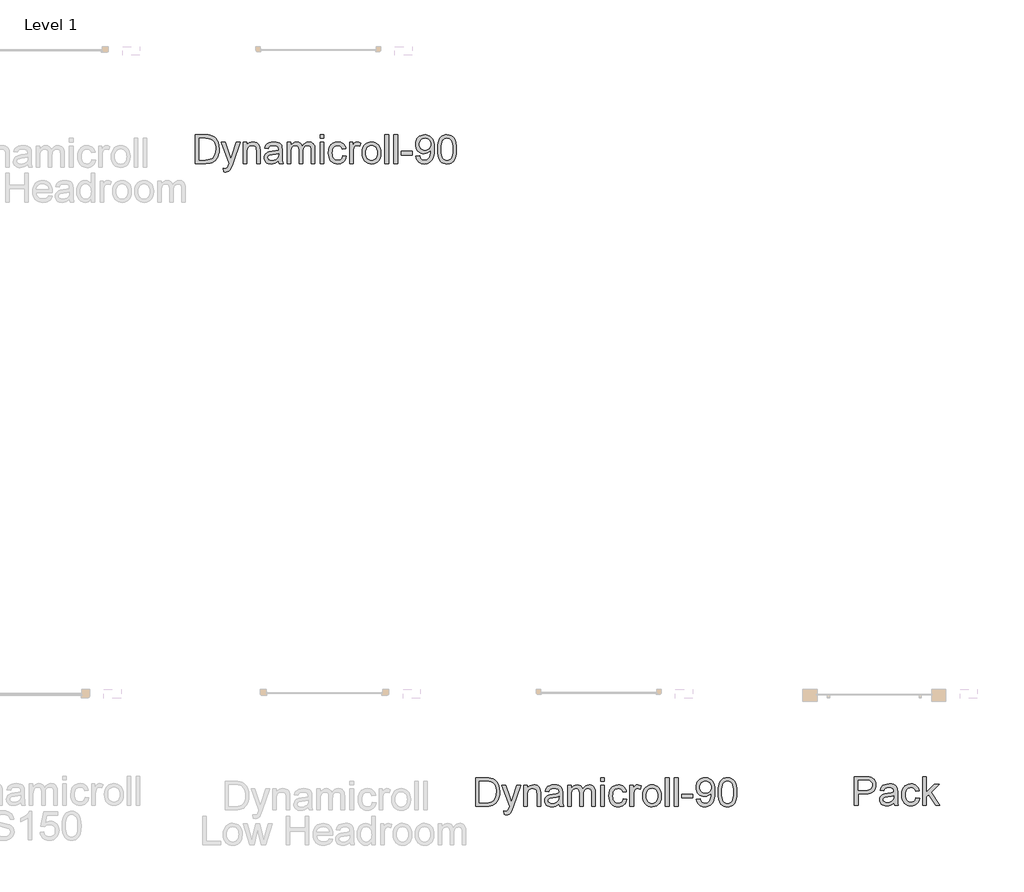
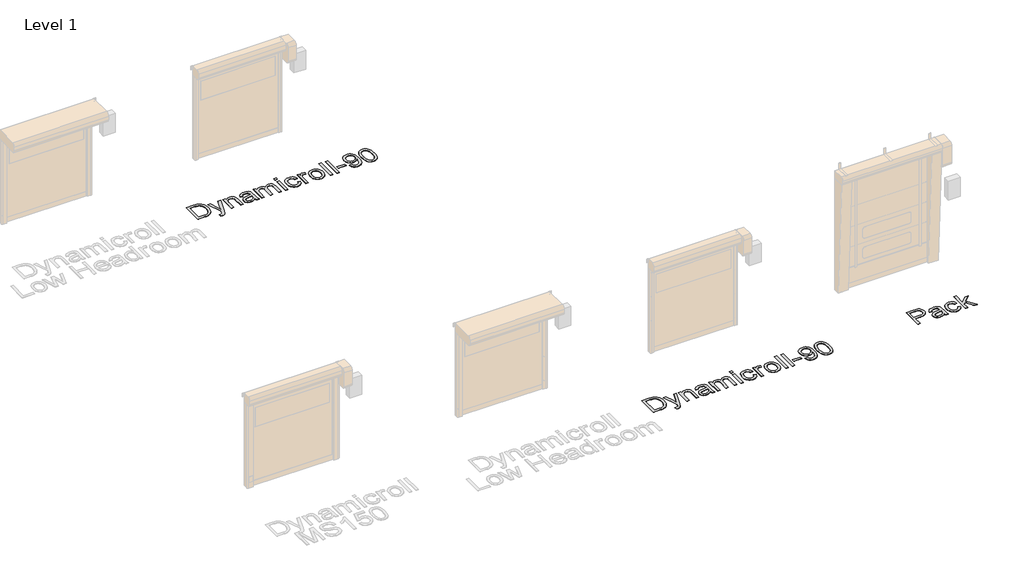
# One storey, part 11 of 18: 3 proxies.
"""IFC4 building model written with IfcOpenShell, lengths in millimetres."""

from ifc_helpers import new_model, si_unit, origin, origin_with_axes, place, context, project, spatial, polyline, outline, extrude, element, save

model = new_model("IFC4")

# Units and contexts
model_context = context("Model", 3, world=origin())
ifc_project = project(units=[si_unit("LENGTHUNIT", "METRE", prefix="MILLI")], contexts=[model_context])

# Site, building, storey
site = spatial("IfcSite", under=ifc_project)
building = spatial("IfcBuilding", under=site)
storey = spatial("IfcBuildingStorey", under=building, Name="Level 1", Elevation=0.0)

# Proxies
placement = place(None, origin())
element("IfcBuildingElementProxy", 1, Name="500mm", ObjectType="500mm", at=placement, inside=storey, context=model_context, shape_type="SweptSolid", body=[
    extrude(outline(polyline([(14635.3862268, 30417.6094957), (14635.3862268, 30919.8910465), (14808.6586466, 30919.8910465), (14860.4380374, 30918.0822933), (14898.299226, 30912.6560339), (14938.3370499, 30898.7071749), (14972.1208797, 30876.7262257), (14990.7372415, 30858.7613216), (15006.8550715, 30838.4664982), (15020.4743695, 30815.8417555), (15031.5951356, 30790.8870935), (15046.4023859, 30734.9077166), (15051.338136, 30671.4480724), (15047.9965413, 30617.5380317), (15037.9717569, 30570.0965827), (15022.7046541, 30529.7062053), (15003.636104, 30496.9493794), (14981.6858116, 30471.0903408), (14957.7734819, 30451.3933256), (14930.320288, 30436.7853447), (14897.7474031, 30426.193409), (14859.9935133, 30419.755474), (14816.9973051, 30417.6094957), (14635.3862268, 30417.6094957)]), holes=[polyline([(14698.1714207, 30480.3946896), (14809.2717832, 30480.3946896), (14855.2263758, 30482.6632952), (14890.0831948, 30489.4691121), (14916.3867575, 30500.4136015), (14936.6815809, 30515.0982245), (14958.4939175, 30542.2755068), (14974.8799947, 30577.4542226), (14985.1347053, 30620.787656), (14988.5529422, 30672.4290911), (14986.8783127, 30708.8800654), (14981.8544242, 30740.8551422), (14973.4812767, 30768.3543213), (14961.7588702, 30791.3776028), (14947.6375665, 30810.4461529), (14932.0677275, 30826.0811377), (14915.0493531, 30838.2825572), (14896.5824434, 30847.0504114), (14860.4686942, 30854.5919923), (14807.5550006, 30857.1058526), (14698.1714207, 30857.1058526), (14698.1714207, 30480.3946896)])]), origin_with_axes(), (0.0, 0.0, 1.0), 5.0),
    extrude(outline(polyline([(15129.8196283, 30276.3428096), (15121.9714791, 30336.7980841), (15153.8545854, 30331.2798542), (15170.623873, 30333.0119653), (15183.653027, 30338.2082984), (15193.8004387, 30346.5009717), (15201.9244994, 30357.5221032), (15219.0923258, 30403.7526072), (15223.9974191, 30418.9583964), (15090.5788822, 30786.4725096), (15156.7976413, 30786.4725096), (15227.5536117, 30581.6848656), (15252.2017054, 30499.769808), (15276.8497991, 30572.1199337), (15349.5678068, 30786.4725096), (15415.2960566, 30786.4725096), (15286.9052403, 30408.7803278), (15253.5506061, 30326.8652703), (15236.4747501, 30300.7149918), (15217.1302885, 30282.5968035), (15194.65883, 30272.0201961), (15168.2019832, 30268.4946604), (15150.0224812, 30270.4566977), (15129.8196283, 30276.3428096)])), origin_with_axes(), (0.0, 0.0, 1.0), 5.0),
    extrude(outline(polyline([(15467.2900453, 30417.6094957), (15467.2900453, 30786.4725096), (15530.0752391, 30786.4725096), (15530.0752391, 30734.9690302), (15551.8875757, 30760.9353677), (15578.0838395, 30779.4827517), (15608.6640303, 30790.611182), (15643.6281483, 30794.3206588), (15674.5762211, 30791.3316176), (15702.9184632, 30782.3644939), (15726.5548814, 30768.5382623), (15743.3854826, 30750.971897), (15754.8051529, 30729.7113834), (15762.2087781, 30704.8027066), (15765.519716, 30644.1021774), (15765.519716, 30417.6094957), (15702.7345222, 30417.6094957), (15702.7345222, 30635.6408915), (15700.925769, 30668.1064776), (15695.4995096, 30691.1910728), (15685.4900536, 30707.7304342), (15669.9317109, 30720.5603188), (15649.9894411, 30728.7916784), (15626.8282038, 30731.5354649), (15607.7634859, 30729.9949591), (15590.0553327, 30725.3734415), (15573.7037445, 30717.6709123), (15558.7087211, 30706.8873713), (15546.1815727, 30691.7965453), (15537.2336096, 30671.1721609), (15531.8648317, 30645.0142182), (15530.0752391, 30613.3227172), (15530.0752391, 30417.6094957), (15467.2900453, 30417.6094957)])), origin_with_axes(), (0.0, 0.0, 1.0), 5.0),
    extrude(outline(polyline([(16087.2938345, 30464.6983911), (16057.2961234, 30438.9773083), (16026.4093643, 30422.146707), (15993.9284498, 30412.8576866), (15959.1482728, 30409.7613465), (15931.1930733, 30411.6237491), (15906.6791032, 30417.2109569), (15885.6063627, 30426.5229699), (15867.9748517, 30439.5597881), (15854.0528174, 30455.493677), (15844.1085072, 30473.4969022), (15838.1419211, 30493.5694635), (15836.1530591, 30515.7113611), (15839.1574287, 30541.7390123), (15848.1705376, 30565.3754305), (15862.0734113, 30585.6089402), (15879.7470755, 30601.427866), (15900.5170798, 30613.3840308), (15923.7089739, 30622.0292577), (15978.0328819, 30631.4715623), (16042.2282901, 30641.4043761), (16086.9259525, 30653.0539726), (16087.2938345, 30667.0334885), (16082.971221, 30695.0538338), (16070.0033807, 30713.3866199), (16056.9282414, 30721.3267396), (16041.0020167, 30726.9982537), (16000.5963109, 30731.5354649), (15963.1949748, 30728.5157669), (15937.0753531, 30719.4566728), (15919.2637332, 30702.7027136), (15906.7864022, 30676.5984203), (15844.0012083, 30684.4465696), (15854.8997124, 30718.7822224), (15871.1631623, 30745.7602354), (15894.3090712, 30766.392284), (15925.8549522, 30781.6900436), (15964.4365765, 30791.163005), (16008.6897148, 30794.3206588), (16051.1341, 30791.530887), (16084.7799742, 30783.1615716), (16110.1485034, 30770.5769417), (16127.7608539, 30755.1412263), (16139.4411073, 30736.0573478), (16147.013345, 30712.5282285), (16150.0790283, 30657.5911839), (16150.0790283, 30579.4775736), (16153.2673389, 30470.400562), (16157.9884912, 30443.4378775), (16165.7753268, 30417.6094957), (16102.9901329, 30417.6094957), (16092.9346917, 30439.4371608), (16087.2938345, 30464.6983911)]), holes=[polyline([(16087.2938345, 30590.2687788), (16045.1100323, 30579.8147988), (15986.0036585, 30571.0162877), (15931.9863188, 30560.8382192), (15917.9301609, 30553.8791181), (15907.5221662, 30544.2835294), (15901.0842312, 30532.7872171), (15898.9382529, 30520.1259451), (15903.61342, 30501.4559338), (15917.638921, 30486.1581742), (15940.7081878, 30475.9494488), (15972.514652, 30472.5465403), (16006.2371682, 30476.3020024), (16036.0356098, 30487.5683885), (16060.1931941, 30504.1690635), (16076.9931386, 30523.9273923), (16084.442749, 30544.2835294), (16086.9259525, 30572.4878157), (16087.2938345, 30590.2687788)])]), origin_with_axes(), (0.0, 0.0, 1.0), 5.0),
    extrude(outline(polyline([(16236.4086698, 30417.6094957), (16236.4086698, 30786.4725096), (16299.1938637, 30786.4725096), (16299.1938637, 30725.7719804), (16318.0784728, 30753.6543699), (16342.3586844, 30775.4973634), (16371.2067642, 30789.6148349), (16403.7949776, 30794.3206588), (16438.7131104, 30789.5228644), (16466.7027988, 30775.1294814), (16487.6107589, 30752.0908714), (16501.2837064, 30721.3573964), (16524.1690321, 30753.2788237), (16550.2733254, 30776.0798432), (16579.5965861, 30789.7604549), (16612.1388142, 30794.3206588), (16637.2735851, 30792.4237673), (16659.3350085, 30786.7330926), (16678.3230844, 30777.248635), (16694.2378128, 30763.9703942), (16706.8186107, 30746.7450862), (16715.8048948, 30725.4194268), (16721.1966653, 30699.993416), (16722.9939221, 30670.4670537), (16722.9939221, 30417.6094957), (16660.2087283, 30417.6094957), (16660.2087283, 30643.4890408), (16658.7525287, 30674.8049956), (16654.38393, 30695.9122251), (16646.1985556, 30710.3669218), (16633.292029, 30721.7252784), (16616.6913539, 30729.0829183), (16597.4235344, 30731.5354649), (16579.631075, 30729.9643023), (16563.4097783, 30725.2508142), (16548.7596443, 30717.3950008), (16535.6806729, 30706.3968619), (16524.9239567, 30691.934501), (16517.2405879, 30673.6860212), (16512.6305667, 30651.6514225), (16511.0938929, 30625.830705), (16511.0938929, 30417.6094957), (16448.3086991, 30417.6094957), (16448.3086991, 30650.4787987), (16444.6758644, 30685.9794112), (16433.7773603, 30711.3019552), (16425.3505633, 30720.1541157), (16414.6015113, 30726.4770875), (16386.1366419, 30731.5354649), (16361.9484007, 30728.1632133), (16339.6608832, 30718.0464585), (16321.2667834, 30701.430455), (16308.7587956, 30678.5604576), (16301.5850967, 30646.8306356), (16299.1938637, 30603.635158), (16299.1938637, 30417.6094957), (16236.4086698, 30417.6094957)])), origin_with_axes(), (0.0, 0.0, 1.0), 5.0),
    extrude(outline(polyline([(16817.1717129, 30857.1058526), (16817.1717129, 30919.8910465), (16879.9569067, 30919.8910465), (16879.9569067, 30857.1058526), (16817.1717129, 30857.1058526)])), origin_with_axes(), (0.0, 0.0, 1.0), 5.0),
    extrude(outline(polyline([(16817.1717129, 30417.6094957), (16817.1717129, 30786.4725096), (16879.9569067, 30786.4725096), (16879.9569067, 30417.6094957), (16817.1717129, 30417.6094957)])), origin_with_axes(), (0.0, 0.0, 1.0), 5.0),
    extrude(outline(polyline([(17209.5791744, 30551.0280326), (17272.3643683, 30543.1798834), (17265.5355587, 30513.5538865), (17254.8593167, 30487.3384622), (17240.3356421, 30464.5336106), (17221.9645349, 30445.1393317), (17200.5200803, 30429.6614632), (17176.7763632, 30418.6058428), (17150.7333836, 30411.9724706), (17122.3911416, 30409.7613465), (17087.1779368, 30412.8461903), (17055.605231, 30422.1007218), (17027.6730241, 30437.5249408), (17003.3813161, 30459.1188475), (16983.7187899, 30486.4762388), (16969.6741283, 30519.1909116), (16961.2473314, 30557.262866), (16958.438399, 30600.692102), (16963.2361934, 30656.56418), (16977.6295765, 30704.9866476), (16988.4820953, 30725.9367608), (17001.8484745, 30744.089438), (17017.7287139, 30759.4446792), (17036.1228137, 30772.0024844), (17077.1263277, 30788.7411152), (17121.5327502, 30794.3206588), (17149.3883151, 30792.4046067), (17174.5843996, 30786.6564506), (17197.1210039, 30777.0761903), (17216.998128, 30763.6638259), (17233.8785466, 30746.7259257), (17247.4250347, 30726.569058), (17257.6375921, 30703.1932229), (17264.516219, 30676.5984203), (17201.7310252, 30668.7502711), (17190.3420117, 30696.1421513), (17172.6070339, 30715.7778528), (17149.5071103, 30727.5960619), (17122.0232596, 30731.5354649), (17100.6899359, 30729.5964203), (17081.4489412, 30723.7792862), (17064.3002753, 30714.0840628), (17049.2439382, 30700.51075), (17036.9850371, 30682.7451153), (17028.2286792, 30660.4729262), (17022.9748645, 30633.6941826), (17021.2235929, 30602.4088846), (17022.9365434, 30570.6522378), (17028.075395, 30543.5630938), (17036.6401477, 30521.1414526), (17048.6308015, 30503.3873143), (17063.3882345, 30489.8944757), (17080.2533247, 30480.2567338), (17099.2260722, 30474.4740887), (17120.3064769, 30472.5465403), (17152.8180482, 30477.3596631), (17179.4741645, 30491.7990314), (17190.2538734, 30502.7205282), (17198.8646113, 30516.2325273), (17209.5791744, 30551.0280326)])), origin_with_axes(), (0.0, 0.0, 1.0), 5.0),
    extrude(outline(polyline([(17327.3014129, 30417.6094957), (17327.3014129, 30786.4725096), (17382.2384575, 30786.4725096), (17382.2384575, 30731.9033469), (17402.5332809, 30763.5411985), (17421.233949, 30782.180553), (17439.9959307, 30791.2856323), (17460.4746951, 30794.3206588), (17491.7446647, 30789.4768792), (17523.5051436, 30774.9455404), (17502.5358699, 30718.6595951), (17480.4629502, 30728.3164975), (17458.3900305, 30731.5354649), (17439.6433771, 30728.4391248), (17422.8894179, 30719.1501044), (17409.3544262, 30704.373511), (17400.2646752, 30684.8144516), (17392.6311238, 30649.7430347), (17390.0866067, 30611.4833072), (17390.0866067, 30417.6094957), (17327.3014129, 30417.6094957)])), origin_with_axes(), (0.0, 0.0, 1.0), 5.0),
    extrude(outline(polyline([(17547.0495913, 30602.0410026), (17550.4448356, 30649.8120126), (17560.6305683, 30690.976475), (17577.6067895, 30725.5343899), (17601.3734993, 30753.4857573), (17625.3011574, 30771.3510267), (17651.7120189, 30784.1119334), (17680.606084, 30791.7684775), (17711.9833525, 30794.3206588), (17746.6217416, 30791.2128224), (17777.9415285, 30781.889313), (17805.9427133, 30766.3501308), (17830.6252959, 30744.5952758), (17850.7706673, 30717.3605118), (17865.1602182, 30685.381603), (17873.7939488, 30648.6585492), (17876.671859, 30607.1913506), (17871.5828247, 30543.7623632), (17865.2215319, 30517.7270479), (17856.3157219, 30495.4778514), (17844.9765259, 30476.2598492), (17831.3150747, 30459.3181169), (17815.3313684, 30444.6526545), (17797.025407, 30432.2634619), (17756.2978045, 30415.3868753), (17711.9833525, 30409.7613465), (17676.8391256, 30412.8576866), (17645.2280988, 30422.146707), (17617.1502719, 30437.6284076), (17592.6056451, 30459.3027885), (17572.6748715, 30486.8019677), (17558.4386048, 30519.7580631), (17549.8968447, 30558.1710747), (17547.0495913, 30602.0410026)]), holes=[polyline([(17609.8347852, 30602.16363), (17611.6512025, 30571.7098986), (17617.1004546, 30545.3411901), (17626.1825413, 30523.0575047), (17638.8974628, 30504.8588423), (17654.363835, 30490.7222102), (17671.700274, 30480.6246158), (17690.9067799, 30474.5660592), (17711.9833525, 30472.5465403), (17732.9526262, 30474.5775555), (17752.08249, 30480.6706011), (17769.3729437, 30490.825677), (17784.8239875, 30505.0427833), (17797.538909, 30523.4215546), (17806.6209958, 30546.0616257), (17812.0702478, 30572.9629966), (17813.8866652, 30604.1256673), (17812.0587515, 30633.6137085), (17806.5750105, 30659.2926381), (17797.4354422, 30681.1624563), (17784.6400465, 30699.223163), (17769.1315212, 30713.3597951), (17751.8525637, 30723.4573895), (17732.8031742, 30729.5159461), (17711.9833525, 30731.5354649), (17690.9067799, 30729.5236103), (17671.700274, 30723.4880463), (17654.363835, 30713.428773), (17638.8974628, 30699.3457904), (17626.1825413, 30681.2007774), (17617.1004546, 30658.955413), (17611.6512025, 30632.6096972), (17609.8347852, 30602.16363)])]), origin_with_axes(), (0.0, 0.0, 1.0), 5.0),
    extrude(outline(polyline([(17947.3052021, 30417.6094957), (17947.3052021, 30919.8910465), (18010.0903959, 30919.8910465), (18010.0903959, 30417.6094957), (17947.3052021, 30417.6094957)])), origin_with_axes(), (0.0, 0.0, 1.0), 5.0),
    extrude(outline(polyline([(18104.2681867, 30417.6094957), (18104.2681867, 30919.8910465), (18167.0533805, 30919.8910465), (18167.0533805, 30417.6094957), (18104.2681867, 30417.6094957)])), origin_with_axes(), (0.0, 0.0, 1.0), 5.0),
    extrude(outline(polyline([(18229.8385744, 30566.7243311), (18229.8385744, 30629.509525), (18426.0423051, 30629.509525), (18426.0423051, 30566.7243311), (18229.8385744, 30566.7243311)])), origin_with_axes(), (0.0, 0.0, 1.0), 5.0),
    extrude(outline(polyline([(18488.827499, 30543.1798834), (18551.6126928, 30551.0280326), (18562.3425843, 30515.3894644), (18579.8169791, 30491.1245811), (18603.6066815, 30477.1910505), (18633.2824957, 30472.5465403), (18659.9079551, 30475.5355816), (18684.1115247, 30484.5027052), (18704.2224072, 30498.4668926), (18718.569805, 30516.4471251), (18729.4376522, 30540.0835433), (18739.109883, 30571.0162877), (18745.9156999, 30606.5169003), (18748.1843056, 30643.8569228), (18747.8164236, 30656.1196559), (18726.0654006, 30629.5708386), (18697.6005312, 30608.5402512), (18664.4758233, 30594.8366469), (18628.7452845, 30590.2687788), (18598.9200181, 30593.0585506), (18571.493649, 30601.427866), (18546.466177, 30615.376725), (18523.8376022, 30634.9051275), (18505.0871167, 30658.993734), (18491.6939129, 30686.6232047), (18483.6579905, 30717.7935396), (18480.9793497, 30752.5047387), (18483.7882821, 30788.3732332), (18492.215079, 30820.5629078), (18506.2597406, 30849.0737624), (18525.9222668, 30873.9057971), (18549.815436, 30894.0243437), (18576.5520264, 30908.3947341), (18606.1320381, 30917.0169684), (18638.555471, 30919.8910465), (18662.4946254, 30918.2509059), (18685.3837833, 30913.3304842), (18707.2229447, 30905.1297814), (18728.0121095, 30893.6487975), (18747.057667, 30879.1327871), (18763.6660062, 30861.8270049), (18777.8371272, 30841.7314509), (18789.57103, 30818.8461251), (18798.771912, 30791.8527837), (18805.3439706, 30759.4331829), (18810.6016174, 30678.315203), (18805.359299, 30592.3074582), (18798.806401, 30556.6267368), (18789.6323437, 30525.828116), (18777.8716162, 30499.1605034), (18763.5587073, 30475.8728067), (18746.6936171, 30455.9650258), (18727.2763455, 30439.4371608), (18705.6977672, 30426.453992), (18682.3487569, 30417.1803001), (18657.2293144, 30411.6160849), (18630.3394398, 30409.7613465), (18602.1428177, 30411.949478), (18576.6593253, 30418.5138723), (18553.8889627, 30429.4545296), (18533.8317297, 30444.7714497), (18516.9934642, 30464.0507655), (18503.8800039, 30486.8786097), (18494.4913489, 30513.2549824), (18488.827499, 30543.1798834)]), holes=[polyline([(18747.8164236, 30753.9762667), (18746.1226336, 30776.478382), (18741.0412635, 30796.5279508), (18732.5723134, 30814.1249729), (18720.7157833, 30829.2694483), (18706.0541529, 30841.4478752), (18689.1699022, 30850.1467516), (18670.0630311, 30855.3660774), (18648.7335395, 30857.1058526), (18626.7219335, 30855.2319537), (18606.7949921, 30849.610257), (18588.9527153, 30840.2407624), (18573.1951032, 30827.12347), (18560.3192334, 30811.0248006), (18551.1221835, 30792.7111751), (18545.6039536, 30772.1825933), (18543.7645436, 30749.4390554), (18545.5043189, 30729.0407652), (18550.7236447, 30710.6428333), (18559.422521, 30694.2452598), (18571.6009479, 30679.8480446), (18586.7530876, 30668.1256381), (18604.3731023, 30659.7524906), (18624.4609921, 30654.7286021), (18647.0167569, 30653.0539726), (18668.0511764, 30654.7286021), (18687.1312228, 30659.7524906), (18704.2568961, 30668.1256381), (18719.4281963, 30679.8480446), (18731.8480457, 30694.5288355), (18740.7193668, 30711.7771361), (18746.0421594, 30731.5929465), (18747.8164236, 30753.9762667)])]), origin_with_axes(), (0.0, 0.0, 1.0), 5.0),
    extrude(outline(polyline([(18865.538662, 30664.7035692), (18870.1525154, 30745.1011135), (18883.9940755, 30809.2198796), (18894.3407566, 30835.4199754), (18906.9253865, 30858.040886), (18921.7479652, 30877.0826114), (18938.8084927, 30892.5451515), (18958.1644506, 30904.5089806), (18979.8733205, 30913.0545727), (19003.9351022, 30918.181928), (19030.3497959, 30919.8910465), (19069.038719, 30915.8443445), (19103.6809402, 30903.7042387), (19132.6516474, 30883.9459099), (19154.3260282, 30857.044539), (19170.696777, 30823.2300522), (19183.7565879, 30782.7323759), (19192.3098443, 30731.3055387), (19195.1609297, 30664.7035692), (19190.5930616, 30584.7658773), (19176.8894573, 30520.8003954), (19166.6232504, 30494.5888032), (19154.096102, 30471.9334037), (19139.3080122, 30452.8341968), (19122.258981, 30437.2911825), (19102.8800305, 30425.2468792), (19081.1021828, 30416.6438055), (19056.9254379, 30411.4819612), (19030.3497959, 30409.7613465), (18995.7688883, 30412.7503877), (18965.1120554, 30421.7175113), (18938.3792971, 30436.6627174), (18915.5706134, 30457.5860059), (18893.6816347, 30495.4088735), (18878.0466499, 30542.5360899), (18868.665659, 30598.9676551), (18865.538662, 30664.7035692)]), holes=[polyline([(18928.3238559, 30664.8261965), (18930.1632659, 30610.2455376), (18935.6814958, 30566.0652092), (18944.8785457, 30532.2852114), (18957.7544155, 30508.9055442), (18973.3280866, 30492.99848), (18990.6185404, 30481.6362913), (19009.6257768, 30474.8189781), (19030.3497959, 30472.5465403), (19051.0738149, 30474.8266423), (19070.0810514, 30481.6669481), (19087.3715051, 30493.0674579), (19102.9451763, 30509.0281715), (19115.8210461, 30532.4461598), (19125.018096, 30566.2184934), (19130.5363259, 30610.3451723), (19132.3757359, 30664.8261965), (19130.5976396, 30717.9621522), (19125.2633506, 30761.3645634), (19116.3728691, 30795.0334302), (19103.9261949, 30818.9687525), (19088.6131069, 30835.6537338), (19071.1233837, 30847.5715776), (19051.4570253, 30854.7222839), (19029.6140319, 30857.1058526), (19008.9973117, 30855.0058596), (18990.3119721, 30848.7058804), (18973.5580129, 30838.2059151), (18958.7354341, 30823.5059637), (18945.4303687, 30797.4476558), (18935.9267504, 30762.3149252), (18930.2245795, 30718.1077721), (18928.3238559, 30664.8261965)])]), origin_with_axes(), (0.0, 0.0, 1.0), 5.0),
])
element("IfcBuildingElementProxy", 2, Name="500mm", ObjectType="500mm", at=placement, inside=storey, context=model_context, shape_type="SweptSolid", body=[
    extrude(outline(polyline([(19535.3862268, 19179.9547363), (19535.3862268, 19682.236287), (19708.6586466, 19682.236287), (19760.4380374, 19680.4275339), (19798.299226, 19675.0012744), (19838.3370499, 19661.0524154), (19872.1208797, 19639.0714662), (19890.7372415, 19621.1065621), (19906.8550715, 19600.8117387), (19920.4743695, 19578.186996), (19931.5951356, 19553.232334), (19946.4023859, 19497.2529571), (19951.338136, 19433.7933129), (19947.9965413, 19379.8832722), (19937.9717569, 19332.4418233), (19922.7046541, 19292.0514459), (19903.636104, 19259.2946199), (19881.6858116, 19233.4355813), (19857.7734819, 19213.7385661), (19830.320288, 19199.1305853), (19797.7474031, 19188.5386495), (19759.9935133, 19182.1007146), (19716.9973051, 19179.9547363), (19535.3862268, 19179.9547363)]), holes=[polyline([(19598.1714207, 19242.7399301), (19709.2717832, 19242.7399301), (19755.2263758, 19245.0085357), (19790.0831948, 19251.8143526), (19816.3867575, 19262.758842), (19836.6815809, 19277.443465), (19858.4939175, 19304.6207474), (19874.8799947, 19339.7994632), (19885.1347053, 19383.1328965), (19888.5529422, 19434.7743316), (19886.8783127, 19471.2253059), (19881.8544242, 19503.2003827), (19873.4812767, 19530.6995618), (19861.7588702, 19553.7228434), (19847.6375665, 19572.7913934), (19832.0677275, 19588.4263782), (19815.0493531, 19600.6277977), (19796.5824434, 19609.395652), (19760.4686942, 19616.9372329), (19707.5550006, 19619.4510932), (19598.1714207, 19619.4510932), (19598.1714207, 19242.7399301)])]), origin_with_axes(), (0.0, 0.0, 1.0), 5.0),
    extrude(outline(polyline([(20029.8196283, 19038.6880501), (20021.9714791, 19099.1433246), (20053.8545854, 19093.6250947), (20070.623873, 19095.3572058), (20083.653027, 19100.553539), (20093.8004387, 19108.8462123), (20101.9244994, 19119.8673437), (20119.0923258, 19166.0978478), (20123.9974191, 19181.3036369), (19990.5788822, 19548.8177501), (20056.7976413, 19548.8177501), (20127.5536117, 19344.0301061), (20152.2017054, 19262.1150485), (20176.8497991, 19334.4651742), (20249.5678068, 19548.8177501), (20315.2960566, 19548.8177501), (20186.9052403, 19171.1255684), (20153.5506061, 19089.2105108), (20136.4747501, 19063.0602323), (20117.1302885, 19044.942044), (20094.65883, 19034.3654367), (20068.2019832, 19030.8399009), (20050.0224812, 19032.8019382), (20029.8196283, 19038.6880501)])), origin_with_axes(), (0.0, 0.0, 1.0), 5.0),
    extrude(outline(polyline([(20367.2900453, 19179.9547363), (20367.2900453, 19548.8177501), (20430.0752391, 19548.8177501), (20430.0752391, 19497.3142708), (20451.8875757, 19523.2806083), (20478.0838395, 19541.8279922), (20508.6640303, 19552.9564225), (20543.6281483, 19556.6658993), (20574.5762211, 19553.6768581), (20602.9184632, 19544.7097345), (20626.5548814, 19530.8835028), (20643.3854826, 19513.3171375), (20654.8051529, 19492.0566239), (20662.2087781, 19467.1479472), (20665.519716, 19406.447418), (20665.519716, 19179.9547363), (20602.7345222, 19179.9547363), (20602.7345222, 19397.9861321), (20600.925769, 19430.4517181), (20595.4995096, 19453.5363133), (20585.4900536, 19470.0756747), (20569.9317109, 19482.9055593), (20549.9894411, 19491.1369189), (20526.8282038, 19493.8807055), (20507.7634859, 19492.3401996), (20490.0553327, 19487.7186821), (20473.7037445, 19480.0161528), (20458.7087211, 19469.2326118), (20446.1815727, 19454.1417858), (20437.2336096, 19433.5174014), (20431.8648317, 19407.3594587), (20430.0752391, 19375.6679577), (20430.0752391, 19179.9547363), (20367.2900453, 19179.9547363)])), origin_with_axes(), (0.0, 0.0, 1.0), 5.0),
    extrude(outline(polyline([(20987.2938345, 19227.0436316), (20957.2961234, 19201.3225488), (20926.4093643, 19184.4919475), (20893.9284498, 19175.2029271), (20859.1482728, 19172.106587), (20831.1930733, 19173.9689896), (20806.6791032, 19179.5561974), (20785.6063627, 19188.8682104), (20767.9748517, 19201.9050286), (20754.0528174, 19217.8389175), (20744.1085072, 19235.8421427), (20738.1419211, 19255.914704), (20736.1530591, 19278.0566016), (20739.1574287, 19304.0842528), (20748.1705376, 19327.720671), (20762.0734113, 19347.9541807), (20779.7470755, 19363.7731065), (20800.5170798, 19375.7292714), (20823.7089739, 19384.3744982), (20878.0328819, 19393.8168028), (20942.2282901, 19403.7496167), (20986.9259525, 19415.3992132), (20987.2938345, 19429.378729), (20982.971221, 19457.3990743), (20970.0033807, 19475.7318604), (20956.9282414, 19483.6719801), (20941.0020167, 19489.3434942), (20900.5963109, 19493.8807055), (20863.1949748, 19490.8610074), (20837.0753531, 19481.8019133), (20819.2637332, 19465.0479541), (20806.7864022, 19438.9436609), (20744.0012083, 19446.7918101), (20754.8997124, 19481.127463), (20771.1631623, 19508.105476), (20794.3090712, 19528.7375245), (20825.8549522, 19544.0352841), (20864.4365765, 19553.5082455), (20908.6897148, 19556.6658993), (20951.1341, 19553.8761275), (20984.7799742, 19545.5068121), (21010.1485034, 19532.9221822), (21027.7608539, 19517.4864668), (21039.4411073, 19498.4025883), (21047.013345, 19474.8734691), (21050.0790283, 19419.9364244), (21050.0790283, 19341.8228141), (21053.2673389, 19232.7458026), (21057.9884912, 19205.783118), (21065.7753268, 19179.9547363), (21002.9901329, 19179.9547363), (20992.9346917, 19201.7824013), (20987.2938345, 19227.0436316)]), holes=[polyline([(20987.2938345, 19352.6140193), (20945.1100323, 19342.1600393), (20886.0036585, 19333.3615282), (20831.9863188, 19323.1834597), (20817.9301609, 19316.2243586), (20807.5221662, 19306.6287699), (20801.0842312, 19295.1324576), (20798.9382529, 19282.4711856), (20803.61342, 19263.8011743), (20817.638921, 19248.5034147), (20840.7081878, 19238.2946893), (20872.514652, 19234.8917809), (20906.2371682, 19238.6472429), (20936.0356098, 19249.913629), (20960.1931941, 19266.514304), (20976.9931386, 19286.2726329), (20984.442749, 19306.6287699), (20986.9259525, 19334.8330562), (20987.2938345, 19352.6140193)])]), origin_with_axes(), (0.0, 0.0, 1.0), 5.0),
    extrude(outline(polyline([(21136.4086698, 19179.9547363), (21136.4086698, 19548.8177501), (21199.1938637, 19548.8177501), (21199.1938637, 19488.1172209), (21218.0784728, 19515.9996104), (21242.3586844, 19537.8426039), (21271.2067642, 19551.9600755), (21303.7949776, 19556.6658993), (21338.7131104, 19551.868105), (21366.7027988, 19537.4747219), (21387.6107589, 19514.436112), (21401.2837064, 19483.7026369), (21424.1690321, 19515.6240642), (21450.2733254, 19538.4250837), (21479.5965861, 19552.1056954), (21512.1388142, 19556.6658993), (21537.2735851, 19554.7690078), (21559.3350085, 19549.0783332), (21578.3230844, 19539.5938755), (21594.2378128, 19526.3156347), (21606.8186107, 19509.0903267), (21615.8048948, 19487.7646673), (21621.1966653, 19462.3386565), (21622.9939221, 19432.8122943), (21622.9939221, 19179.9547363), (21560.2087283, 19179.9547363), (21560.2087283, 19405.8342813), (21558.7525287, 19437.1502361), (21554.38393, 19458.2574656), (21546.1985556, 19472.7121623), (21533.292029, 19484.0705189), (21516.6913539, 19491.4281588), (21497.4235344, 19493.8807055), (21479.631075, 19492.3095428), (21463.4097783, 19487.5960547), (21448.7596443, 19479.7402413), (21435.6806729, 19468.7421025), (21424.9239567, 19454.2797415), (21417.2405879, 19436.0312617), (21412.6305667, 19413.9966631), (21411.0938929, 19388.1759455), (21411.0938929, 19179.9547363), (21348.3086991, 19179.9547363), (21348.3086991, 19412.8240392), (21344.6758644, 19448.3246517), (21333.7773603, 19473.6471957), (21325.3505633, 19482.4993562), (21314.6015113, 19488.822328), (21286.1366419, 19493.8807055), (21261.9484007, 19490.5084538), (21239.6608832, 19480.391699), (21221.2667834, 19463.7756955), (21208.7587956, 19440.9056982), (21201.5850967, 19409.1758761), (21199.1938637, 19365.9803985), (21199.1938637, 19179.9547363), (21136.4086698, 19179.9547363)])), origin_with_axes(), (0.0, 0.0, 1.0), 5.0),
    extrude(outline(polyline([(21717.1717129, 19619.4510932), (21717.1717129, 19682.236287), (21779.9569067, 19682.236287), (21779.9569067, 19619.4510932), (21717.1717129, 19619.4510932)])), origin_with_axes(), (0.0, 0.0, 1.0), 5.0),
    extrude(outline(polyline([(21717.1717129, 19179.9547363), (21717.1717129, 19548.8177501), (21779.9569067, 19548.8177501), (21779.9569067, 19179.9547363), (21717.1717129, 19179.9547363)])), origin_with_axes(), (0.0, 0.0, 1.0), 5.0),
    extrude(outline(polyline([(22109.5791744, 19313.3732732), (22172.3643683, 19305.5251239), (22165.5355587, 19275.899127), (22154.8593167, 19249.6837028), (22140.3356421, 19226.8788512), (22121.9645349, 19207.4845722), (22100.5200803, 19192.0067037), (22076.7763632, 19180.9510833), (22050.7333836, 19174.3177111), (22022.3911416, 19172.106587), (21987.1779368, 19175.1914308), (21955.605231, 19184.4459623), (21927.6730241, 19199.8701813), (21903.3813161, 19221.464088), (21883.7187899, 19248.8214793), (21869.6741283, 19281.5361522), (21861.2473314, 19319.6081066), (21858.438399, 19363.0373425), (21863.2361934, 19418.9094205), (21877.6295765, 19467.3318882), (21888.4820953, 19488.2820014), (21901.8484745, 19506.4346786), (21917.7287139, 19521.7899198), (21936.1228137, 19534.3477249), (21977.1263277, 19551.0863557), (22021.5327502, 19556.6658993), (22049.3883151, 19554.7498473), (22074.5843996, 19549.0016911), (22097.1210039, 19539.4214308), (22116.998128, 19526.0090664), (22133.8785466, 19509.0711662), (22147.4250347, 19488.9142985), (22157.6375921, 19465.5384634), (22164.516219, 19438.9436609), (22101.7310252, 19431.0955116), (22090.3420117, 19458.4873919), (22072.6070339, 19478.1230933), (22049.5071103, 19489.9413024), (22022.0232596, 19493.8807055), (22000.6899359, 19491.9416608), (21981.4489412, 19486.1245267), (21964.3002753, 19476.4293033), (21949.2439382, 19462.8559905), (21936.9850371, 19445.0903559), (21928.2286792, 19422.8181667), (21922.9748645, 19396.0394232), (21921.2235929, 19364.7541252), (21922.9365434, 19332.9974784), (21928.075395, 19305.9083344), (21936.6401477, 19283.4866932), (21948.6308015, 19265.7325548), (21963.3882345, 19252.2397162), (21980.2533247, 19242.6019743), (21999.2260722, 19236.8193292), (22020.3064769, 19234.8917809), (22052.8180482, 19239.7049036), (22079.4741645, 19254.1442719), (22090.2538734, 19265.0657687), (22098.8646113, 19278.5777678), (22109.5791744, 19313.3732732)])), origin_with_axes(), (0.0, 0.0, 1.0), 5.0),
    extrude(outline(polyline([(22227.3014129, 19179.9547363), (22227.3014129, 19548.8177501), (22282.2384575, 19548.8177501), (22282.2384575, 19494.2485875), (22302.5332809, 19525.8864391), (22321.233949, 19544.5257935), (22339.9959307, 19553.6308729), (22360.4746951, 19556.6658993), (22391.7446647, 19551.8221197), (22423.5051436, 19537.2907809), (22402.5358699, 19481.0048356), (22380.4629502, 19490.661738), (22358.3900305, 19493.8807055), (22339.6433771, 19490.7843653), (22322.8894179, 19481.495345), (22309.3544262, 19466.7187515), (22300.2646752, 19447.1596921), (22292.6311238, 19412.0882752), (22290.0866067, 19373.8285477), (22290.0866067, 19179.9547363), (22227.3014129, 19179.9547363)])), origin_with_axes(), (0.0, 0.0, 1.0), 5.0),
    extrude(outline(polyline([(22447.0495913, 19364.3862432), (22450.4448356, 19412.1572531), (22460.6305683, 19453.3217155), (22477.6067895, 19487.8796304), (22501.3734993, 19515.8309978), (22525.3011574, 19533.6962672), (22551.7120189, 19546.4571739), (22580.606084, 19554.113718), (22611.9833525, 19556.6658993), (22646.6217416, 19553.5580629), (22677.9415285, 19544.2345536), (22705.9427133, 19528.6953714), (22730.6252959, 19506.9405163), (22750.7706673, 19479.7057523), (22765.1602182, 19447.7268435), (22773.7939488, 19411.0037897), (22776.671859, 19369.5365911), (22771.5828247, 19306.1076038), (22765.2215319, 19280.0722884), (22756.3157219, 19257.8230919), (22744.9765259, 19238.6050898), (22731.3150747, 19221.6633575), (22715.3313684, 19206.997895), (22697.025407, 19194.6087024), (22656.2978045, 19177.7321159), (22611.9833525, 19172.106587), (22576.8391256, 19175.2029271), (22545.2280988, 19184.4919475), (22517.1502719, 19199.9736482), (22492.6056451, 19221.648029), (22472.6748715, 19249.1472082), (22458.4386048, 19282.1033036), (22449.8968447, 19320.5163152), (22447.0495913, 19364.3862432)]), holes=[polyline([(22509.8347852, 19364.5088705), (22511.6512025, 19334.0551391), (22517.1004546, 19307.6864307), (22526.1825413, 19285.4027452), (22538.8974628, 19267.2040828), (22554.363835, 19253.0674507), (22571.700274, 19242.9698563), (22590.9067799, 19236.9112997), (22611.9833525, 19234.8917809), (22632.9526262, 19236.922796), (22652.08249, 19243.0158416), (22669.3729437, 19253.1709175), (22684.8239875, 19267.3880238), (22697.538909, 19285.7667951), (22706.6209958, 19308.4068662), (22712.0702478, 19335.3082371), (22713.8866652, 19366.4709078), (22712.0587515, 19395.958949), (22706.5750105, 19421.6378787), (22697.4354422, 19443.5076969), (22684.6400465, 19461.5684036), (22669.1315212, 19475.7050356), (22651.8525637, 19485.80263), (22632.8031742, 19491.8611866), (22611.9833525, 19493.8807055), (22590.9067799, 19491.8688508), (22571.700274, 19485.8332868), (22554.363835, 19475.7740135), (22538.8974628, 19461.6910309), (22526.1825413, 19443.5460179), (22517.1004546, 19421.3006535), (22511.6512025, 19394.9549377), (22509.8347852, 19364.5088705)])]), origin_with_axes(), (0.0, 0.0, 1.0), 5.0),
    extrude(outline(polyline([(22847.3052021, 19179.9547363), (22847.3052021, 19682.236287), (22910.0903959, 19682.236287), (22910.0903959, 19179.9547363), (22847.3052021, 19179.9547363)])), origin_with_axes(), (0.0, 0.0, 1.0), 5.0),
    extrude(outline(polyline([(23004.2681867, 19179.9547363), (23004.2681867, 19682.236287), (23067.0533805, 19682.236287), (23067.0533805, 19179.9547363), (23004.2681867, 19179.9547363)])), origin_with_axes(), (0.0, 0.0, 1.0), 5.0),
    extrude(outline(polyline([(23129.8385744, 19329.0695716), (23129.8385744, 19391.8547655), (23326.0423051, 19391.8547655), (23326.0423051, 19329.0695716), (23129.8385744, 19329.0695716)])), origin_with_axes(), (0.0, 0.0, 1.0), 5.0),
    extrude(outline(polyline([(23388.827499, 19305.5251239), (23451.6126928, 19313.3732732), (23462.3425843, 19277.7347049), (23479.8169791, 19253.4698216), (23503.6066815, 19239.5362911), (23533.2824957, 19234.8917809), (23559.9079551, 19237.8808221), (23584.1115247, 19246.8479457), (23604.2224072, 19260.8121331), (23618.569805, 19278.7923656), (23629.4376522, 19302.4287838), (23639.109883, 19333.3615282), (23645.9156999, 19368.8621408), (23648.1843056, 19406.2021633), (23647.8164236, 19418.4648965), (23626.0654006, 19391.9160791), (23597.6005312, 19370.8854917), (23564.4758233, 19357.1818874), (23528.7452845, 19352.6140193), (23498.9200181, 19355.4037911), (23471.493649, 19363.7731065), (23446.466177, 19377.7219655), (23423.8376022, 19397.2503681), (23405.0871167, 19421.3389745), (23391.6939129, 19448.9684452), (23383.6579905, 19480.1387801), (23380.9793497, 19514.8499792), (23383.7882821, 19550.7184737), (23392.215079, 19582.9081483), (23406.2597406, 19611.4190029), (23425.9222668, 19636.2510376), (23449.815436, 19656.3695842), (23476.5520264, 19670.7399747), (23506.1320381, 19679.3622089), (23538.555471, 19682.236287), (23562.4946254, 19680.5961464), (23585.3837833, 19675.6757248), (23607.2229447, 19667.4750219), (23628.0121095, 19655.994038), (23647.057667, 19641.4780276), (23663.6660062, 19624.1722454), (23677.8371272, 19604.0766914), (23689.57103, 19581.1913657), (23698.771912, 19554.1980243), (23705.3439706, 19521.7784234), (23710.6016174, 19440.6604435), (23705.359299, 19354.6526987), (23698.806401, 19318.9719773), (23689.6323437, 19288.1733565), (23677.8716162, 19261.505744), (23663.5587073, 19238.2180472), (23646.6936171, 19218.3102664), (23627.2763455, 19201.7824013), (23605.6977672, 19188.7992326), (23582.3487569, 19179.5255406), (23557.2293144, 19173.9613254), (23530.3394398, 19172.106587), (23502.1428177, 19174.2947185), (23476.6593253, 19180.8591128), (23453.8889627, 19191.7997701), (23433.8317297, 19207.1166902), (23416.9934642, 19226.396006), (23403.8800039, 19249.2238503), (23394.4913489, 19275.6002229), (23388.827499, 19305.5251239)]), holes=[polyline([(23647.8164236, 19516.3215072), (23646.1226336, 19538.8236225), (23641.0412635, 19558.8731913), (23632.5723134, 19576.4702134), (23620.7157833, 19591.6146889), (23606.0541529, 19603.7931157), (23589.1699022, 19612.4919921), (23570.0630311, 19617.7113179), (23548.7335395, 19619.4510932), (23526.7219335, 19617.5771942), (23506.7949921, 19611.9554975), (23488.9527153, 19602.5860029), (23473.1951032, 19589.4687106), (23460.3192334, 19573.3700412), (23451.1221835, 19555.0564156), (23445.6039536, 19534.5278338), (23443.7645436, 19511.7842959), (23445.5043189, 19491.3860057), (23450.7236447, 19472.9880738), (23459.422521, 19456.5905003), (23471.6009479, 19442.1932851), (23486.7530876, 19430.4708787), (23504.3731023, 19422.0977312), (23524.4609921, 19417.0738427), (23547.0167569, 19415.3992132), (23568.0511764, 19417.0738427), (23587.1312228, 19422.0977312), (23604.2568961, 19430.4708787), (23619.4281963, 19442.1932851), (23631.8480457, 19456.874076), (23640.7193668, 19474.1223766), (23646.0421594, 19493.938187), (23647.8164236, 19516.3215072)])]), origin_with_axes(), (0.0, 0.0, 1.0), 5.0),
    extrude(outline(polyline([(23765.538662, 19427.0488097), (23770.1525154, 19507.446354), (23783.9940755, 19571.5651201), (23794.3407566, 19597.765216), (23806.9253865, 19620.3861266), (23821.7479652, 19639.4278519), (23838.8084927, 19654.890392), (23858.1644506, 19666.8542211), (23879.8733205, 19675.3998133), (23903.9351022, 19680.5271686), (23930.3497959, 19682.236287), (23969.038719, 19678.1895851), (24003.6809402, 19666.0494792), (24032.6516474, 19646.2911504), (24054.3260282, 19619.3897795), (24070.696777, 19585.5752928), (24083.7565879, 19545.0776165), (24092.3098443, 19493.6507792), (24095.1609297, 19427.0488097), (24090.5930616, 19347.1111178), (24076.8894573, 19283.1456359), (24066.6232504, 19256.9340437), (24054.096102, 19234.2786442), (24039.3080122, 19215.1794373), (24022.258981, 19199.636423), (24002.8800305, 19187.5921198), (23981.1021828, 19178.989046), (23956.9254379, 19173.8272018), (23930.3497959, 19172.106587), (23895.7688883, 19175.0956282), (23865.1120554, 19184.0627519), (23838.3792971, 19199.0079579), (23815.5706134, 19219.9312464), (23793.6816347, 19257.754114), (23778.0466499, 19304.8813304), (23768.665659, 19361.3128957), (23765.538662, 19427.0488097)]), holes=[polyline([(23828.3238559, 19427.171437), (23830.1632659, 19372.5907781), (23835.6814958, 19328.4104497), (23844.8785457, 19294.6304519), (23857.7544155, 19271.2507847), (23873.3280866, 19255.3437205), (23890.6185404, 19243.9815318), (23909.6257768, 19237.1642186), (23930.3497959, 19234.8917809), (23951.0738149, 19237.1718828), (23970.0810514, 19244.0121887), (23987.3715051, 19255.4126984), (24002.9451763, 19271.3734121), (24015.8210461, 19294.7914003), (24025.018096, 19328.5637339), (24030.5363259, 19372.6904128), (24032.3757359, 19427.171437), (24030.5976396, 19480.3073927), (24025.2633506, 19523.7098039), (24016.3728691, 19557.3786707), (24003.9261949, 19581.313993), (23988.6131069, 19597.9989743), (23971.1233837, 19609.9168181), (23951.4570253, 19617.0675244), (23929.6140319, 19619.4510932), (23908.9973117, 19617.3511001), (23890.3119721, 19611.0511209), (23873.5580129, 19600.5511557), (23858.7354341, 19585.8512043), (23845.4303687, 19559.7928963), (23835.9267504, 19524.6601657), (23830.2245795, 19480.4530126), (23828.3238559, 19427.171437)])]), origin_with_axes(), (0.0, 0.0, 1.0), 5.0),
])
element("IfcBuildingElementProxy", 3, Name="500mm", ObjectType="500mm", at=placement, inside=storey, context=model_context, shape_type="SweptSolid", body=[
    extrude(outline(polyline([(26147.7200448, 19196.8917937), (26147.7200448, 19699.1733444), (26333.8683343, 19699.1733444), (26408.9162613, 19694.3908785), (26442.3781945, 19685.4544117), (26469.9233589, 19670.9077445), (26492.1035775, 19650.0917549), (26509.4706734, 19622.3473211), (26520.6910742, 19589.621152), (26524.4312078, 19553.8599563), (26521.9058512, 19523.0268466), (26514.3297814, 19494.661612), (26501.7029983, 19468.7642523), (26484.025502, 19445.3347678), (26459.7567867, 19425.9136641), (26427.3563464, 19412.0414472), (26386.8241811, 19403.7181171), (26338.1602909, 19400.9436737), (26210.5052386, 19400.9436737), (26210.5052386, 19196.8917937), (26147.7200448, 19196.8917937)]), holes=[polyline([(26210.5052386, 19463.7288675), (26341.8391109, 19463.7288675), (26372.0360913, 19465.1697387), (26397.5119195, 19469.4923521), (26418.2665954, 19476.6967079), (26434.300119, 19486.7828059), (26446.2639481, 19499.4823989), (26454.8095402, 19514.5272397), (26459.9368956, 19531.9173282), (26461.646014, 19551.6526644), (26457.6146405, 19579.8569507), (26445.5205199, 19603.646653), (26426.865837, 19621.5502435), (26403.1527768, 19632.096194), (26340.3675829, 19636.3881506), (26210.5052386, 19636.3881506), (26210.5052386, 19463.7288675)])]), origin_with_axes(), (0.0, 0.0, 1.0), 5.0),
    extrude(outline(polyline([(26838.357177, 19243.9806891), (26808.359466, 19218.2596062), (26777.4727068, 19201.429005), (26744.9917924, 19192.1399846), (26710.2116154, 19189.0436445), (26682.2564159, 19190.9060471), (26657.7424458, 19196.4932549), (26636.6697053, 19205.8052679), (26619.0381943, 19218.8420861), (26605.11616, 19234.775975), (26595.1718498, 19252.7792001), (26589.2052637, 19272.8517615), (26587.2164017, 19294.9936591), (26590.2207713, 19321.0213102), (26599.2338802, 19344.6577284), (26613.1367539, 19364.8912382), (26630.8104181, 19380.7101639), (26651.5804224, 19392.6663288), (26674.7723165, 19401.3115557), (26729.0962245, 19410.7538602), (26793.2916326, 19420.6866741), (26837.9892951, 19432.3362706), (26838.357177, 19446.3157864), (26834.0345636, 19474.3361317), (26821.0667233, 19492.6689178), (26807.991584, 19500.6090375), (26792.0653593, 19506.2805516), (26751.6596535, 19510.8177629), (26714.2583173, 19507.7980649), (26688.1386957, 19498.7389707), (26670.3270758, 19481.9850115), (26657.8497447, 19455.8807183), (26595.0645509, 19463.7288675), (26605.963055, 19498.0645204), (26622.2265049, 19525.0425334), (26645.3724137, 19545.674582), (26676.9182948, 19560.9723416), (26715.4999191, 19570.445303), (26759.7530574, 19573.6029568), (26802.1974426, 19570.813185), (26835.8433167, 19562.4438696), (26861.211846, 19549.8592396), (26878.8241965, 19534.4235243), (26890.5044499, 19515.3396458), (26898.0766876, 19491.8105265), (26901.1423709, 19436.8734819), (26901.1423709, 19358.7598716), (26904.3306815, 19249.68286), (26909.0518338, 19222.7201754), (26916.8386694, 19196.8917937), (26854.0534755, 19196.8917937), (26843.9980343, 19218.7194587), (26838.357177, 19243.9806891)]), holes=[polyline([(26838.357177, 19369.5510768), (26796.1733749, 19359.0970967), (26737.067001, 19350.2985857), (26683.0496614, 19340.1205171), (26668.9935035, 19333.1614161), (26658.5855087, 19323.5658274), (26652.1475738, 19312.069515), (26650.0015955, 19299.408243), (26654.6767625, 19280.7382318), (26668.7022636, 19265.4404721), (26691.7715304, 19255.2317468), (26723.5779946, 19251.8288383), (26757.3005108, 19255.5843003), (26787.0989524, 19266.8506864), (26811.2565367, 19283.4513615), (26828.0564812, 19303.2096903), (26835.5060916, 19323.5658274), (26837.9892951, 19351.7701137), (26838.357177, 19369.5510768)])]), origin_with_axes(), (0.0, 0.0, 1.0), 5.0),
    extrude(outline(polyline([(27222.9164893, 19330.3103306), (27285.7016832, 19322.4621814), (27278.8728736, 19292.8361845), (27268.1966316, 19266.6207602), (27253.672957, 19243.8159086), (27235.3018498, 19224.4216297), (27213.8573952, 19208.9437611), (27190.1136781, 19197.8881408), (27164.0706985, 19191.2547685), (27135.7284565, 19189.0436445), (27100.5152518, 19192.1284883), (27068.9425459, 19201.3830197), (27041.010339, 19216.8072388), (27016.718631, 19238.4011455), (26997.0561048, 19265.7585368), (26983.0114432, 19298.4732096), (26974.5846463, 19336.545164), (26971.775714, 19379.9744), (26976.5735083, 19435.846478), (26990.9668914, 19484.2689456), (27001.8194102, 19505.2190588), (27015.1857894, 19523.371736), (27031.0660289, 19538.7269772), (27049.4601286, 19551.2847824), (27090.4636427, 19568.0234132), (27134.8700652, 19573.6029568), (27162.72563, 19571.6869047), (27187.9217145, 19565.9387485), (27210.4583189, 19556.3584882), (27230.3354429, 19542.9461238), (27247.2158615, 19526.0082236), (27260.7623496, 19505.851356), (27270.9749071, 19482.4755209), (27277.853534, 19455.8807183), (27215.0683401, 19448.0325691), (27203.6793267, 19475.4244493), (27185.9443488, 19495.0601508), (27162.8444252, 19506.8783599), (27135.3605745, 19510.8177629), (27114.0272509, 19508.8787182), (27094.7862561, 19503.0615842), (27077.6375902, 19493.3663608), (27062.5812531, 19479.793048), (27050.322352, 19462.0274133), (27041.5659941, 19439.7552242), (27036.3121794, 19412.9764806), (27034.5609078, 19381.6911826), (27036.2738583, 19349.9345358), (27041.41271, 19322.8453918), (27049.9774627, 19300.4237506), (27061.9681164, 19282.6696122), (27076.7255494, 19269.1767736), (27093.5906396, 19259.5390318), (27112.5633871, 19253.7563867), (27133.6437918, 19251.8288383), (27166.1553632, 19256.6419611), (27192.8114794, 19271.0813294), (27203.5911883, 19282.0028261), (27212.2019262, 19295.5148252), (27222.9164893, 19330.3103306)])), origin_with_axes(), (0.0, 0.0, 1.0), 5.0),
    extrude(outline(polyline([(27340.6387278, 19196.8917937), (27340.6387278, 19699.1733444), (27403.4239216, 19699.1733444), (27403.4239216, 19429.2705873), (27544.2000985, 19565.7548075), (27631.0202493, 19565.7548075), (27488.5272899, 19427.5538047), (27638.8683986, 19196.8917937), (27565.5372542, 19196.8917937), (27443.5230591, 19383.8984746), (27403.4239216, 19345.0256104), (27403.4239216, 19196.8917937), (27340.6387278, 19196.8917937)])), origin_with_axes(), (0.0, 0.0, 1.0), 5.0),
])

save(model, "model.ifc")
